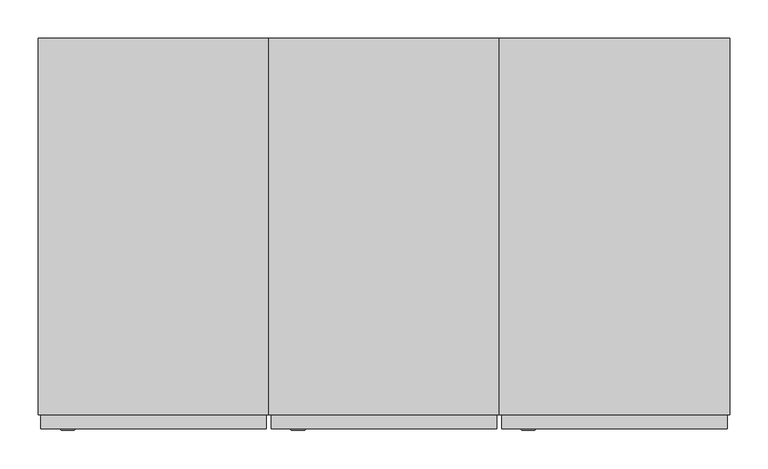
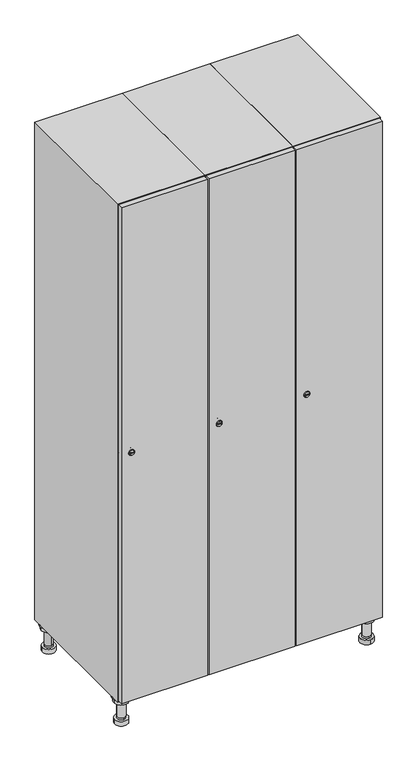
"""IFC4 building model written with IfcOpenShell, lengths in millimetres: furniture geometry."""

import ifcopenshell
import ifcopenshell.guid

model = None  # the IFC model being written
_history = None  # IfcOwnerHistory: only IFC2X3 demands one
_inside = {}  # id of a spatial element -> (the spatial element, [elements in it])
_under = {}  # id of a project, library or spatial element -> (it, [spatial elements below it])
_declared = {}  # id of a project -> (the project, [libraries it declares])
_typed = {}  # id of a type object -> (the type object, [elements of that type])
_made_of = {}  # id of a material, layer set ... -> (it, [elements and type objects made of it])


def new_model(schema):
    """Start an empty IFC model of exactly this schema.

    Asked for "IFC4X3", IfcOpenShell would pick the latest addendum, in which some entities
    have other attributes; the version numbers below select the first issue.
    IFC2X3 requires an IfcOwnerHistory on every rooted entity: one is made here for all.
    """
    global model, _history
    if schema == "IFC4X3":
        model = ifcopenshell.file(schema_version=(4, 3, 0, 0))
    else:
        model = ifcopenshell.file(schema=schema)
    _inside.clear()
    _under.clear()
    _declared.clear()
    _typed.clear()
    _made_of.clear()
    _history = None
    if model.schema == "IFC2X3":
        org = make("IfcOrganization", Name="unknown")
        user = make(
            "IfcPersonAndOrganization",
            ThePerson=make("IfcPerson", FamilyName="unknown"),
            TheOrganization=org,
        )
        app = make(
            "IfcApplication",
            ApplicationDeveloper=org,
            Version="unknown",
            ApplicationFullName="unknown",
            ApplicationIdentifier="unknown",
        )
        _history = make(
            "IfcOwnerHistory",
            OwningUser=user,
            OwningApplication=app,
            ChangeAction="ADDED",
            CreationDate=0,
        )
    return model


def make(cls, **values):
    """One entity of the class cls with the attributes given. An attribute that is None is left unset."""
    return model.create_entity(
        cls, **{name: value for name, value in values.items() if value is not None}
    )


def rooted(cls, **values):
    """An entity with a GlobalId (a new one), such as an element, a storey or a relation."""
    return make(cls, GlobalId=ifcopenshell.guid.new(), OwnerHistory=_history, **values)


def si_unit(unit_type, name, prefix=None):
    """IfcSIUnit, for example si_unit("LENGTHUNIT", "METRE", prefix="MILLI")."""
    return make("IfcSIUnit", UnitType=unit_type, Prefix=prefix, Name=name)


def assignment(units):
    """IfcUnitAssignment: the units of a project."""
    return None if units is None else make("IfcUnitAssignment", Units=units)


def point(xyz):
    """IfcCartesianPoint."""
    return None if xyz is None else make("IfcCartesianPoint", Coordinates=xyz)


def direction(xyz):
    """IfcDirection."""
    return None if xyz is None else make("IfcDirection", DirectionRatios=xyz)


def frame(location, z_axis=None, x_axis=None):
    """IfcAxis2Placement3D, a coordinate frame: its origin and axes. An axis left out is left unset."""
    return make(
        "IfcAxis2Placement3D",
        Location=point(location),
        Axis=direction(z_axis),
        RefDirection=direction(x_axis),
    )


def frame_2d(location, x_axis=None):
    """IfcAxis2Placement2D, a coordinate frame in the plane: its origin and x axis."""
    return make(
        "IfcAxis2Placement2D", Location=point(location), RefDirection=direction(x_axis)
    )


def origin():
    """The frame at (0, 0, 0) with its axes left unset."""
    return frame((0.0, 0.0, 0.0))


def place(relative_to, where):
    """IfcLocalPlacement: puts the frame where relative to a parent placement (None: the world)."""
    return make(
        "IfcLocalPlacement", PlacementRelTo=relative_to, RelativePlacement=where
    )


def context(
    kind, dimensions, precision=None, world=None, true_north=None, identifier=None
):
    """IfcGeometricRepresentationContext, for example the 3D "Model" context."""
    return make(
        "IfcGeometricRepresentationContext",
        ContextIdentifier=identifier,
        ContextType=kind,
        CoordinateSpaceDimension=dimensions,
        Precision=precision,
        WorldCoordinateSystem=world,
        TrueNorth=true_north,
    )


def project(units=None, contexts=None):
    """IfcProject with its units and contexts."""
    return rooted(
        "IfcProject",
        Name="project",
        RepresentationContexts=contexts,
        UnitsInContext=assignment(units),
    )


def spatial(cls, under=None, at=None, **own):
    """A site, building, storey or space (cls), placed at a placement, below another one or the project."""
    s = rooted(cls, ObjectPlacement=at, **own)
    if under is not None:
        _under.setdefault(under.id(), (under, []))[1].append(s)
    return s


def polyline(points):
    """IfcPolyline through the points."""
    return make("IfcPolyline", Points=[point(p) for p in points])


def circle_curve(where, radius):
    """IfcCircle in the frame where."""
    return make("IfcCircle", Position=where, Radius=radius)


def trimmed(basis, trim1, trim2, sense, master):
    """IfcTrimmedCurve: the piece of a basis curve between two trims."""
    return make(
        "IfcTrimmedCurve",
        BasisCurve=basis,
        Trim1=trim1,
        Trim2=trim2,
        SenseAgreement=sense,
        MasterRepresentation=master,
    )


def segment(curve, same_sense, transition):
    """IfcCompositeCurveSegment."""
    return make(
        "IfcCompositeCurveSegment",
        Transition=transition,
        SameSense=same_sense,
        ParentCurve=curve,
    )


def composite_curve(segments, self_intersect=None):
    """IfcCompositeCurve: segments joined end to end."""
    return make("IfcCompositeCurve", Segments=segments, SelfIntersect=self_intersect)


def outline(outer, holes=None, kind="AREA"):
    """IfcArbitraryClosedProfileDef: a profile drawn as a closed curve; with holes, ...WithVoids."""
    if holes is None:
        return make("IfcArbitraryClosedProfileDef", ProfileType=kind, OuterCurve=outer)
    return make(
        "IfcArbitraryProfileDefWithVoids",
        ProfileType=kind,
        OuterCurve=outer,
        InnerCurves=holes,
    )


def extrude(swept, where, along, depth):
    """IfcExtrudedAreaSolid: the profile swept, set in the frame where, extruded along a direction by depth."""
    return make(
        "IfcExtrudedAreaSolid",
        SweptArea=swept,
        Position=where,
        ExtrudedDirection=direction(along),
        Depth=depth,
    )


def faces_of(points, faces, orient=None, outer=None):
    """IfcFace entities. A face is a list of loops; a loop is a list of indices into points, from 0.

    orient and outer hold one flag for each loop. By default every Orientation is true, the
    first loop of a face is its IfcFaceOuterBound and the others are IfcFaceBound.
    """
    made = []
    for i, loops in enumerate(faces):
        bounds = []
        for j, loop in enumerate(loops):
            is_outer = j == 0 if outer is None else outer[i][j]
            bounds.append(
                make(
                    "IfcFaceOuterBound" if is_outer else "IfcFaceBound",
                    Bound=make("IfcPolyLoop", Polygon=[points[k] for k in loop]),
                    Orientation=True if orient is None else orient[i][j],
                )
            )
        made.append(make("IfcFace", Bounds=bounds))
    return made


def faceted_brep(points, faces, orient=None, outer=None, voids=None):
    """IfcFacetedBrep: a solid bounded by flat faces; with voids (closed shells), ...WithVoids."""
    shared = [point(p) for p in points]
    hull = make("IfcClosedShell", CfsFaces=faces_of(shared, faces, orient, outer))
    if voids is None:
        return make("IfcFacetedBrep", Outer=hull)
    return make(
        "IfcFacetedBrepWithVoids",
        Outer=hull,
        Voids=[
            make(cls, CfsFaces=faces_of(shared, fs, o, b)) for cls, fs, o, b in voids
        ],
    )


def shape(context_of_items, identifier, shape_type, items):
    """IfcShapeRepresentation: the items that make up one representation, for example the "Body"."""
    return make(
        "IfcShapeRepresentation",
        ContextOfItems=context_of_items,
        RepresentationIdentifier=identifier,
        RepresentationType=shape_type,
        Items=items,
    )


def source(mapping_origin, context_of_items, identifier, shape_type, items):
    """IfcRepresentationMap: a shape defined once, which mapped items show again and again."""
    return make(
        "IfcRepresentationMap",
        MappingOrigin=mapping_origin,
        MappedRepresentation=shape(context_of_items, identifier, shape_type, items),
    )


def transform(
    local_origin,
    x_axis=None,
    y_axis=None,
    z_axis=None,
    scale=None,
    scale2=None,
    scale3=None,
    uniform=True,
):
    """IfcCartesianTransformationOperator3D, or its non-uniform kind. x_axis, y_axis, z_axis: its Axis1, 2, 3."""
    if uniform:
        return make(
            "IfcCartesianTransformationOperator3D",
            Axis1=direction(x_axis),
            Axis2=direction(y_axis),
            LocalOrigin=point(local_origin),
            Scale=scale,
            Axis3=direction(z_axis),
        )
    return make(
        "IfcCartesianTransformationOperator3DnonUniform",
        Axis1=direction(x_axis),
        Axis2=direction(y_axis),
        LocalOrigin=point(local_origin),
        Scale=scale,
        Axis3=direction(z_axis),
        Scale2=scale2,
        Scale3=scale3,
    )


def mapped(mapping_source, mapping_target):
    """IfcMappedItem: shows the shape of a source again, moved by a transform."""
    return make(
        "IfcMappedItem", MappingSource=mapping_source, MappingTarget=mapping_target
    )


def made_of(thing, what):
    """Note that an element or type object is made of a material, layer set ...; save() writes the relation."""
    if what is not None:
        _made_of.setdefault(what.id(), (what, []))[1].append(thing)
    return thing


def element(
    cls,
    number,
    at=None,
    inside=None,
    cuts=None,
    type_object=None,
    material=None,
    context=None,
    identifier="Body",
    shape_type=None,
    held_by="IfcProductDefinitionShape",
    body=None,
    shapes=None,
    **own,
):
    """One element of the class cls, such as IfcWall. Its Tag is "e" and its number.

    at: its placement. inside: the storey or other place that contains it. cuts: it is an
    opening in that element (IfcRelVoidsElement). A single representation is given by context,
    identifier, shape_type and body (its items); several are given by shapes. held_by: the class
    of the entity that holds the representations. save() writes the other relations.
    """
    e = rooted(cls, Tag="e%d" % number, ObjectPlacement=at, **own)
    if body is not None:
        shapes = [shape(context, identifier, shape_type, body)]
    if shapes is not None:
        e.Representation = make(held_by, Representations=shapes)
    if inside is not None:
        _inside.setdefault(inside.id(), (inside, []))[1].append(e)
    if cuts is not None:
        rooted(
            "IfcRelVoidsElement", RelatingBuildingElement=cuts, RelatedOpeningElement=e
        )
    if type_object is not None:
        _typed.setdefault(type_object.id(), (type_object, []))[1].append(e)
    return made_of(e, material)


def aggregate(whole, parts):
    """IfcRelAggregates: a whole, such as a stair, and the parts it consists of."""
    return rooted("IfcRelAggregates", RelatingObject=whole, RelatedObjects=parts)


def save(model, path):
    """Write the relations noted so far, then the file.

    IfcRelAggregates (storeys below a building ...), IfcRelContainedInSpatialStructure (elements
    in a storey), IfcRelDefinesByType, IfcRelAssociatesMaterial and IfcRelDeclares: one each for
    every whole, place, type object, material and project.
    """
    for whole, parts in _under.values():
        aggregate(whole, parts)
    for where, things in _inside.values():
        rooted(
            "IfcRelContainedInSpatialStructure",
            RelatedElements=things,
            RelatingStructure=where,
        )
    for kind, things in _typed.values():
        rooted("IfcRelDefinesByType", RelatedObjects=things, RelatingType=kind)
    for what, things in _made_of.values():
        rooted("IfcRelAssociatesMaterial", RelatedObjects=things, RelatingMaterial=what)
    for by, libraries in _declared.values():
        rooted("IfcRelDeclares", RelatingContext=by, RelatedDefinitions=libraries)
    model.write(path)


def plane_surface(at):
    """IfcPlane: the flat surface through the origin of the frame at, square to its z axis."""
    return make("IfcPlane", Position=at)


def cylinder_surface(at, radius):
    """IfcCylindricalSurface: all points at the distance radius from the z axis of the frame at."""
    return make("IfcCylindricalSurface", Position=at, Radius=radius)


def revolved_surface(curve, axis_point, axis_direction):
    """IfcSurfaceOfRevolution: the curve turned about the line through axis_point along axis_direction."""
    return make(
        "IfcSurfaceOfRevolution",
        SweptCurve=make("IfcArbitraryOpenProfileDef", ProfileType="CURVE", Curve=curve),
        AxisPosition=make("IfcAxis1Placement", Location=point(axis_point), Axis=direction(axis_direction)),
    )


def advanced_brep(points, edges, surfaces, faces):
    """IfcAdvancedBrep: a solid bounded by faces that lie on surfaces and meet in shared edges.

    An edge is (start, end): straight between two places in points (the first is 0);
    or (start, end, curve); or (start, end, curve, False) where it runs against its curve.
    A face is (place in surfaces, loops), or (place, loops, False) where it looks against
    its surface's normal. A loop lists edges by number (the first is 1), with a minus sign
    where the edge is run from its end to its start. The first loop is the outer one.
    """
    corners = [point(p) for p in points]
    vertices = [make("IfcVertexPoint", VertexGeometry=c) for c in corners]
    made = []
    for start, end, *more in edges:
        made.append(
            make(
                "IfcEdgeCurve",
                EdgeStart=vertices[start],
                EdgeEnd=vertices[end],
                EdgeGeometry=more[0] if more else make("IfcPolyline", Points=[corners[start], corners[end]]),
                SameSense=more[1] if len(more) > 1 else True,
            )
        )
    hull = []
    for where, loops, *sense in faces:
        bounds = []
        for j, loop in enumerate(loops):
            ring = [make("IfcOrientedEdge", EdgeElement=made[abs(k) - 1], Orientation=k > 0) for k in loop]
            bounds.append(
                make(
                    "IfcFaceOuterBound" if j == 0 else "IfcFaceBound",
                    Bound=make("IfcEdgeLoop", EdgeList=ring),
                    Orientation=True,
                )
            )
        hull.append(make("IfcAdvancedFace", Bounds=bounds, FaceSurface=surfaces[where], SameSense=sense[0] if sense else True))
    return make("IfcAdvancedBrep", Outer=make("IfcClosedShell", CfsFaces=hull))


def furniture_a6dacb6b(model_context):
    return source(origin(), model_context, "Body", "SolidModel", [
        advanced_brep(
        [(670.0, -201.0, 22.0), (670.0, -201.5, 16.0), (670.0, -228.5, 16.0), (670.0, -229.0, 22.0), (656.0, -215.0, 22.0), (684.0, -215.0, 22.0), (670.0, -192.5, 16.0), (670.0, -237.5, 16.0), (670.0, -192.5, 0.0), (670.0, -237.5, 0.0), (684.0, -215.0, 78.0), (656.0, -215.0, 78.0), (695.0, -215.0, 78.0), (645.0, -215.0, 78.0), (700.0, -215.0, 94.0), (640.0, -215.0, 94.0), (645.0, -215.0, 94.0), (695.0, -215.0, 94.0), (700.0, -215.0, 100.0), (640.0, -215.0, 100.0)],
        [
            (0, 1),
            (1, 2, circle_curve(frame((670.0, -215.0, 16.0), z_axis=(0.0, 0.0, 1.0), x_axis=(0.0, -1.0, 0.0)), 13.5)),
            (2, 3),
            (3, 4, circle_curve(frame((670.0, -215.0, 22.0), z_axis=(0.0, 0.0, -1.0), x_axis=(0.0, -1.0, 0.0)), 14.0)),
            (4, 0, circle_curve(frame((670.0, -215.0, 22.0), z_axis=(0.0, 0.0, -1.0), x_axis=(0.0, -1.0, 0.0)), 14.0)),
            (0, 5, circle_curve(frame((670.0, -215.0, 22.0), z_axis=(0.0, 0.0, -1.0), x_axis=(0.0, 1.0, 0.0)), 14.0)),
            (5, 3, circle_curve(frame((670.0, -215.0, 22.0), z_axis=(0.0, 0.0, -1.0), x_axis=(0.0, 1.0, 0.0)), 14.0)),
            (2, 1, circle_curve(frame((670.0, -215.0, 16.0), z_axis=(0.0, 0.0, 1.0), x_axis=(0.0, 1.0, 0.0)), 13.5)),
            (6, 7, circle_curve(frame((670.0, -215.0, 16.0), z_axis=(0.0, 0.0, 1.0), x_axis=(0.0, -1.0, 0.0)), 22.5)),
            (7, 6, circle_curve(frame((670.0, -215.0, 16.0), z_axis=(0.0, 0.0, 1.0), x_axis=(0.0, -1.0, 0.0)), 22.5)),
            (8, 9, circle_curve(frame((670.0, -215.0, 0.0), z_axis=(0.0, 0.0, -1.0), x_axis=(0.0, -1.0, 0.0)), 22.5)),
            (9, 8, circle_curve(frame((670.0, -215.0, 0.0), z_axis=(0.0, 0.0, -1.0), x_axis=(0.0, -1.0, 0.0)), 22.5)),
            (6, 8),
            (9, 7),
            (5, 10),
            (10, 11, circle_curve(frame((670.0, -215.0, 78.0), z_axis=(0.0, 0.0, -1.0), x_axis=(-1.0, 0.0, 0.0)), 14.0)),
            (11, 4),
            (11, 10, circle_curve(frame((670.0, -215.0, 78.0), z_axis=(0.0, 0.0, -1.0), x_axis=(-1.0, 0.0, 0.0)), 14.0)),
            (12, 13, circle_curve(frame((670.0, -215.0, 78.0), z_axis=(0.0, 0.0, -1.0), x_axis=(-1.0, 0.0, 0.0)), 25.0)),
            (13, 12, circle_curve(frame((670.0, -215.0, 78.0), z_axis=(0.0, 0.0, -1.0), x_axis=(-1.0, 0.0, 0.0)), 25.0)),
            (14, 15, circle_curve(frame((670.0, -215.0, 94.0), z_axis=(0.0, 0.0, -1.0), x_axis=(-1.0, 0.0, 0.0)), 30.0)),
            (15, 14, circle_curve(frame((670.0, -215.0, 94.0), z_axis=(0.0, 0.0, -1.0), x_axis=(-1.0, 0.0, 0.0)), 30.0)),
            (16, 17, circle_curve(frame((670.0, -215.0, 94.0), z_axis=(0.0, 0.0, 1.0), x_axis=(-1.0, 0.0, 0.0)), 25.0)),
            (17, 16, circle_curve(frame((670.0, -215.0, 94.0), z_axis=(0.0, 0.0, 1.0), x_axis=(-1.0, 0.0, 0.0)), 25.0)),
            (18, 19, circle_curve(frame((670.0, -215.0, 100.0), z_axis=(0.0, 0.0, 1.0), x_axis=(-1.0, 0.0, 0.0)), 30.0)),
            (19, 18, circle_curve(frame((670.0, -215.0, 100.0), z_axis=(0.0, 0.0, 1.0), x_axis=(-1.0, 0.0, 0.0)), 30.0)),
            (14, 18),
            (19, 15),
            (12, 17),
            (16, 13),
        ],
        [
            revolved_surface(polyline([(670.0, -201.5, 16.0), (670.0, -201.0, 22.0)]), (670.0, -215.0, -146.0), (0.0, 0.0, 1.0)),
            plane_surface(frame((670.0, 0.0, 16.0), z_axis=(0.0, 0.0, 1.0), x_axis=(0.0, -1.0, 0.0))),
            plane_surface(frame((670.0, 0.0, 0.0), z_axis=(0.0, 0.0, -1.0), x_axis=(0.0, -1.0, 0.0))),
            cylinder_surface(frame((670.0, -215.0, 16.0), z_axis=(0.0, 0.0, 1.0), x_axis=(0.0, -1.0, 0.0)), 22.5),
            cylinder_surface(frame((670.0, -215.0, 22.0), z_axis=(0.0, 0.0, -1.0), x_axis=(-1.0, 0.0, 0.0)), 14.0),
            plane_surface(frame((670.0, 0.0, 78.0), z_axis=(0.0, 0.0, -1.0), x_axis=(0.0, -1.0, 0.0))),
            plane_surface(frame((670.0, 0.0, 94.0), z_axis=(0.0, 0.0, -1.0), x_axis=(0.0, -1.0, 0.0))),
            plane_surface(frame((670.0, 0.0, 100.0), z_axis=(0.0, 0.0, 1.0), x_axis=(0.0, -1.0, 0.0))),
            cylinder_surface(frame((670.0, -215.0, 94.0), z_axis=(0.0, 0.0, -1.0), x_axis=(-1.0, 0.0, 0.0)), 30.0),
            cylinder_surface(frame((670.0, -215.0, 78.0), z_axis=(0.0, 0.0, -1.0), x_axis=(-1.0, 0.0, 0.0)), 25.0),
        ],
        [
            (0, [[1, 2, 3, 4, 5]]),
            (0, [[-1, 6, 7, -3, 8]]),
            (1, [[9, 10], [-2, -8]]),
            (2, [[11, 12]]),
            (3, [[-9, 13, -12, 14]]),
            (3, [[-10, -14, -11, -13]]),
            (4, [[15, 16, 17, -4, -7]]),
            (4, [[-15, -6, -5, -17, 18]]),
            (5, [[19, 20], [-16, -18]]),
            (6, [[21, 22], [23, 24]]),
            (7, [[25, 26]]),
            (8, [[-21, 27, -26, 28]]),
            (8, [[-22, -28, -25, -27]]),
            (9, [[-19, 29, -23, 30]]),
            (9, [[-20, -30, -24, -29]]),
        ],
    ),
        advanced_brep(
        [(-170.0, -201.0, 22.0), (-170.0, -201.5, 16.0), (-170.0, -228.5, 16.0), (-170.0, -229.0, 22.0), (-184.0, -215.0, 22.0), (-156.0, -215.0, 22.0), (-147.5, -215.0, 0.0), (-192.5, -215.0, 0.0), (-147.5, -215.0, 16.0), (-192.5, -215.0, 16.0), (-156.0, -215.0, 78.0), (-184.0, -215.0, 78.0), (-145.0, -215.0, 78.0), (-195.0, -215.0, 78.0), (-140.0, -215.0, 94.0), (-200.0, -215.0, 94.0), (-195.0, -215.0, 94.0), (-145.0, -215.0, 94.0), (-140.0, -215.0, 100.0), (-200.0, -215.0, 100.0)],
        [
            (0, 1),
            (1, 2, circle_curve(frame((-170.0, -215.0, 16.0), z_axis=(0.0, 0.0, 1.0), x_axis=(0.0, -1.0, 0.0)), 13.5)),
            (2, 3),
            (3, 4, circle_curve(frame((-170.0, -215.0, 22.0), z_axis=(0.0, 0.0, -1.0), x_axis=(0.0, -1.0, 0.0)), 14.0)),
            (4, 0, circle_curve(frame((-170.0, -215.0, 22.0), z_axis=(0.0, 0.0, -1.0), x_axis=(0.0, -1.0, 0.0)), 14.0)),
            (0, 5, circle_curve(frame((-170.0, -215.0, 22.0), z_axis=(0.0, 0.0, -1.0), x_axis=(0.0, 1.0, 0.0)), 14.0)),
            (5, 3, circle_curve(frame((-170.0, -215.0, 22.0), z_axis=(0.0, 0.0, -1.0), x_axis=(0.0, 1.0, 0.0)), 14.0)),
            (2, 1, circle_curve(frame((-170.0, -215.0, 16.0), z_axis=(0.0, 0.0, 1.0), x_axis=(0.0, 1.0, 0.0)), 13.5)),
            (6, 7, circle_curve(frame((-170.0, -215.0, 0.0), z_axis=(0.0, 0.0, -1.0), x_axis=(-1.0, 0.0, 0.0)), 22.5)),
            (7, 6, circle_curve(frame((-170.0, -215.0, 0.0), z_axis=(0.0, 0.0, -1.0), x_axis=(-1.0, 0.0, 0.0)), 22.5)),
            (8, 9, circle_curve(frame((-170.0, -215.0, 16.0), z_axis=(0.0, 0.0, 1.0), x_axis=(-1.0, 0.0, 0.0)), 22.5)),
            (9, 8, circle_curve(frame((-170.0, -215.0, 16.0), z_axis=(0.0, 0.0, 1.0), x_axis=(-1.0, 0.0, 0.0)), 22.5)),
            (6, 8),
            (9, 7),
            (5, 10),
            (10, 11, circle_curve(frame((-170.0, -215.0, 78.0), z_axis=(0.0, 0.0, -1.0), x_axis=(-1.0, 0.0, 0.0)), 14.0)),
            (11, 4),
            (11, 10, circle_curve(frame((-170.0, -215.0, 78.0), z_axis=(0.0, 0.0, -1.0), x_axis=(-1.0, 0.0, 0.0)), 14.0)),
            (12, 13, circle_curve(frame((-170.0, -215.0, 78.0), z_axis=(0.0, 0.0, -1.0), x_axis=(-1.0, 0.0, 0.0)), 25.0)),
            (13, 12, circle_curve(frame((-170.0, -215.0, 78.0), z_axis=(0.0, 0.0, -1.0), x_axis=(-1.0, 0.0, 0.0)), 25.0)),
            (14, 15, circle_curve(frame((-170.0, -215.0, 94.0), z_axis=(0.0, 0.0, -1.0), x_axis=(-1.0, 0.0, 0.0)), 30.0)),
            (15, 14, circle_curve(frame((-170.0, -215.0, 94.0), z_axis=(0.0, 0.0, -1.0), x_axis=(-1.0, 0.0, 0.0)), 30.0)),
            (16, 17, circle_curve(frame((-170.0, -215.0, 94.0), z_axis=(0.0, 0.0, 1.0), x_axis=(-1.0, 0.0, 0.0)), 25.0)),
            (17, 16, circle_curve(frame((-170.0, -215.0, 94.0), z_axis=(0.0, 0.0, 1.0), x_axis=(-1.0, 0.0, 0.0)), 25.0)),
            (18, 19, circle_curve(frame((-170.0, -215.0, 100.0), z_axis=(0.0, 0.0, 1.0), x_axis=(-1.0, 0.0, 0.0)), 30.0)),
            (19, 18, circle_curve(frame((-170.0, -215.0, 100.0), z_axis=(0.0, 0.0, 1.0), x_axis=(-1.0, 0.0, 0.0)), 30.0)),
            (14, 18),
            (19, 15),
            (12, 17),
            (16, 13),
        ],
        [
            revolved_surface(polyline([(-170.0, -201.5, 16.0), (-170.0, -201.0, 22.0)]), (-170.0, -215.0, -146.0), (0.0, 0.0, 1.0)),
            plane_surface(frame((-170.0, 0.0, 0.0), z_axis=(0.0, 0.0, -1.0), x_axis=(0.0, -1.0, 0.0))),
            plane_surface(frame((-170.0, 0.0, 16.0), z_axis=(0.0, 0.0, 1.0), x_axis=(0.0, -1.0, 0.0))),
            cylinder_surface(frame((-170.0, -215.0, 0.0), z_axis=(0.0, 0.0, -1.0), x_axis=(-1.0, 0.0, 0.0)), 22.5),
            cylinder_surface(frame((-170.0, -215.0, 22.0), z_axis=(0.0, 0.0, -1.0), x_axis=(-1.0, 0.0, 0.0)), 14.0),
            plane_surface(frame((-170.0, 0.0, 78.0), z_axis=(0.0, 0.0, -1.0), x_axis=(0.0, -1.0, 0.0))),
            plane_surface(frame((-170.0, 0.0, 94.0), z_axis=(0.0, 0.0, -1.0), x_axis=(0.0, -1.0, 0.0))),
            plane_surface(frame((-170.0, 0.0, 100.0), z_axis=(0.0, 0.0, 1.0), x_axis=(0.0, -1.0, 0.0))),
            cylinder_surface(frame((-170.0, -215.0, 94.0), z_axis=(0.0, 0.0, -1.0), x_axis=(-1.0, 0.0, 0.0)), 30.0),
            cylinder_surface(frame((-170.0, -215.0, 78.0), z_axis=(0.0, 0.0, -1.0), x_axis=(-1.0, 0.0, 0.0)), 25.0),
        ],
        [
            (0, [[1, 2, 3, 4, 5]]),
            (0, [[-1, 6, 7, -3, 8]]),
            (1, [[9, 10]]),
            (2, [[11, 12], [-2, -8]]),
            (3, [[-9, 13, -12, 14]]),
            (3, [[-10, -14, -11, -13]]),
            (4, [[15, 16, 17, -4, -7]]),
            (4, [[-15, -6, -5, -17, 18]]),
            (5, [[19, 20], [-16, -18]]),
            (6, [[21, 22], [23, 24]]),
            (7, [[25, 26]]),
            (8, [[-21, 27, -26, 28]]),
            (8, [[-22, -28, -25, -27]]),
            (9, [[-19, 29, -23, 30]]),
            (9, [[-20, -30, -24, -29]]),
        ],
    ),
        advanced_brep(
        [(683.5, 215.0, 16.0), (684.0, 215.0, 22.0), (656.0, 215.0, 22.0), (656.5, 215.0, 16.0), (692.5, 215.0, 0.0), (647.5, 215.0, 0.0), (692.5, 215.0, 16.0), (647.5, 215.0, 16.0), (684.0, 215.0, 78.0), (656.0, 215.0, 78.0), (695.0, 215.0, 78.0), (645.0, 215.0, 78.0), (700.0, 215.0, 94.0), (640.0, 215.0, 94.0), (645.0, 215.0, 94.0), (695.0, 215.0, 94.0), (700.0, 215.0, 100.0), (640.0, 215.0, 100.0)],
        [
            (0, 1),
            (1, 2, circle_curve(frame((670.0, 215.0, 22.0), z_axis=(0.0, 0.0, -1.0), x_axis=(-1.0, 0.0, 0.0)), 14.0)),
            (2, 3),
            (3, 0, circle_curve(frame((670.0, 215.0, 16.0), z_axis=(0.0, 0.0, 1.0), x_axis=(-1.0, 0.0, 0.0)), 13.5)),
            (0, 3, circle_curve(frame((670.0, 215.0, 16.0), z_axis=(0.0, 0.0, 1.0), x_axis=(1.0, 0.0, 0.0)), 13.5)),
            (2, 1, circle_curve(frame((670.0, 215.0, 22.0), z_axis=(0.0, 0.0, -1.0), x_axis=(1.0, 0.0, 0.0)), 14.0)),
            (4, 5, circle_curve(frame((670.0, 215.0, 0.0), z_axis=(0.0, 0.0, -1.0), x_axis=(-1.0, 0.0, 0.0)), 22.5)),
            (5, 4, circle_curve(frame((670.0, 215.0, 0.0), z_axis=(0.0, 0.0, -1.0), x_axis=(-1.0, 0.0, 0.0)), 22.5)),
            (6, 7, circle_curve(frame((670.0, 215.0, 16.0), z_axis=(0.0, 0.0, 1.0), x_axis=(-1.0, 0.0, 0.0)), 22.5)),
            (7, 6, circle_curve(frame((670.0, 215.0, 16.0), z_axis=(0.0, 0.0, 1.0), x_axis=(-1.0, 0.0, 0.0)), 22.5)),
            (4, 6),
            (7, 5),
            (1, 8),
            (8, 9, circle_curve(frame((670.0, 215.0, 78.0), z_axis=(0.0, 0.0, -1.0), x_axis=(-1.0, 0.0, 0.0)), 14.0)),
            (9, 2),
            (9, 8, circle_curve(frame((670.0, 215.0, 78.0), z_axis=(0.0, 0.0, -1.0), x_axis=(-1.0, 0.0, 0.0)), 14.0)),
            (10, 11, circle_curve(frame((670.0, 215.0, 78.0), z_axis=(0.0, 0.0, -1.0), x_axis=(-1.0, 0.0, 0.0)), 25.0)),
            (11, 10, circle_curve(frame((670.0, 215.0, 78.0), z_axis=(0.0, 0.0, -1.0), x_axis=(-1.0, 0.0, 0.0)), 25.0)),
            (12, 13, circle_curve(frame((670.0, 215.0, 94.0), z_axis=(0.0, 0.0, -1.0), x_axis=(-1.0, 0.0, 0.0)), 30.0)),
            (13, 12, circle_curve(frame((670.0, 215.0, 94.0), z_axis=(0.0, 0.0, -1.0), x_axis=(-1.0, 0.0, 0.0)), 30.0)),
            (14, 15, circle_curve(frame((670.0, 215.0, 94.0), z_axis=(0.0, 0.0, 1.0), x_axis=(-1.0, 0.0, 0.0)), 25.0)),
            (15, 14, circle_curve(frame((670.0, 215.0, 94.0), z_axis=(0.0, 0.0, 1.0), x_axis=(-1.0, 0.0, 0.0)), 25.0)),
            (16, 17, circle_curve(frame((670.0, 215.0, 100.0), z_axis=(0.0, 0.0, 1.0), x_axis=(-1.0, 0.0, 0.0)), 30.0)),
            (17, 16, circle_curve(frame((670.0, 215.0, 100.0), z_axis=(0.0, 0.0, 1.0), x_axis=(-1.0, 0.0, 0.0)), 30.0)),
            (12, 16),
            (17, 13),
            (10, 15),
            (14, 11),
        ],
        [
            revolved_surface(polyline([(683.5, 215.0, 16.0), (684.0, 215.0, 22.0)]), (670.0, 215.0, -146.0), (0.0, 0.0, 1.0)),
            plane_surface(frame((670.0, 0.0, 0.0), z_axis=(0.0, 0.0, -1.0), x_axis=(0.0, -1.0, 0.0))),
            plane_surface(frame((670.0, 0.0, 16.0), z_axis=(0.0, 0.0, 1.0), x_axis=(0.0, -1.0, 0.0))),
            cylinder_surface(frame((670.0, 215.0, 0.0), z_axis=(0.0, 0.0, -1.0), x_axis=(-1.0, 0.0, 0.0)), 22.5),
            cylinder_surface(frame((670.0, 215.0, 22.0), z_axis=(0.0, 0.0, -1.0), x_axis=(-1.0, 0.0, 0.0)), 14.0),
            plane_surface(frame((670.0, 0.0, 78.0), z_axis=(0.0, 0.0, -1.0), x_axis=(0.0, -1.0, 0.0))),
            plane_surface(frame((670.0, 0.0, 94.0), z_axis=(0.0, 0.0, -1.0), x_axis=(0.0, -1.0, 0.0))),
            plane_surface(frame((670.0, 0.0, 100.0), z_axis=(0.0, 0.0, 1.0), x_axis=(0.0, -1.0, 0.0))),
            cylinder_surface(frame((670.0, 215.0, 94.0), z_axis=(0.0, 0.0, -1.0), x_axis=(-1.0, 0.0, 0.0)), 30.0),
            cylinder_surface(frame((670.0, 215.0, 78.0), z_axis=(0.0, 0.0, -1.0), x_axis=(-1.0, 0.0, 0.0)), 25.0),
        ],
        [
            (0, [[1, 2, 3, 4]]),
            (0, [[-1, 5, -3, 6]]),
            (1, [[7, 8]]),
            (2, [[9, 10], [-4, -5]]),
            (3, [[-7, 11, -10, 12]]),
            (3, [[-8, -12, -9, -11]]),
            (4, [[13, 14, 15, -2]]),
            (4, [[-13, -6, -15, 16]]),
            (5, [[17, 18], [-14, -16]]),
            (6, [[19, 20], [21, 22]]),
            (7, [[23, 24]]),
            (8, [[-19, 25, -24, 26]]),
            (8, [[-20, -26, -23, -25]]),
            (9, [[-17, 27, -21, 28]]),
            (9, [[-18, -28, -22, -27]]),
        ],
    ),
        advanced_brep(
        [(-156.5, 215.0, 16.0), (-156.0, 215.0, 22.0), (-170.0, 201.0, 22.0), (-184.0, 215.0, 22.0), (-183.5, 215.0, 16.0), (-170.0, 229.0, 22.0), (-147.5, 215.0, 0.0), (-192.5, 215.0, 0.0), (-147.5, 215.0, 16.0), (-192.5, 215.0, 16.0), (-170.0, 229.0, 78.0), (-170.0, 201.0, 78.0), (-145.0, 215.0, 78.0), (-195.0, 215.0, 78.0), (-140.0, 215.0, 94.0), (-200.0, 215.0, 94.0), (-195.0, 215.0, 94.0), (-145.0, 215.0, 94.0), (-140.0, 215.0, 100.0), (-200.0, 215.0, 100.0)],
        [
            (0, 1),
            (1, 2, circle_curve(frame((-170.0, 215.0, 22.0), z_axis=(0.0, 0.0, -1.0), x_axis=(-1.0, 0.0, 0.0)), 14.0)),
            (2, 3, circle_curve(frame((-170.0, 215.0, 22.0), z_axis=(0.0, 0.0, -1.0), x_axis=(-1.0, 0.0, 0.0)), 14.0)),
            (3, 4),
            (4, 0, circle_curve(frame((-170.0, 215.0, 16.0), z_axis=(0.0, 0.0, 1.0), x_axis=(-1.0, 0.0, 0.0)), 13.5)),
            (0, 4, circle_curve(frame((-170.0, 215.0, 16.0), z_axis=(0.0, 0.0, 1.0), x_axis=(1.0, 0.0, 0.0)), 13.5)),
            (3, 5, circle_curve(frame((-170.0, 215.0, 22.0), z_axis=(0.0, 0.0, -1.0), x_axis=(1.0, 0.0, 0.0)), 14.0)),
            (5, 1, circle_curve(frame((-170.0, 215.0, 22.0), z_axis=(0.0, 0.0, -1.0), x_axis=(1.0, 0.0, 0.0)), 14.0)),
            (6, 7, circle_curve(frame((-170.0, 215.0, 0.0), z_axis=(0.0, 0.0, -1.0), x_axis=(-1.0, 0.0, 0.0)), 22.5)),
            (7, 6, circle_curve(frame((-170.0, 215.0, 0.0), z_axis=(0.0, 0.0, -1.0), x_axis=(-1.0, 0.0, 0.0)), 22.5)),
            (8, 9, circle_curve(frame((-170.0, 215.0, 16.0), z_axis=(0.0, 0.0, 1.0), x_axis=(-1.0, 0.0, 0.0)), 22.5)),
            (9, 8, circle_curve(frame((-170.0, 215.0, 16.0), z_axis=(0.0, 0.0, 1.0), x_axis=(-1.0, 0.0, 0.0)), 22.5)),
            (6, 8),
            (9, 7),
            (10, 5),
            (2, 11),
            (11, 10, circle_curve(frame((-170.0, 215.0, 78.0), z_axis=(0.0, 0.0, -1.0), x_axis=(0.0, -1.0, 0.0)), 14.0)),
            (10, 11, circle_curve(frame((-170.0, 215.0, 78.0), z_axis=(0.0, 0.0, -1.0), x_axis=(0.0, -1.0, 0.0)), 14.0)),
            (12, 13, circle_curve(frame((-170.0, 215.0, 78.0), z_axis=(0.0, 0.0, -1.0), x_axis=(-1.0, 0.0, 0.0)), 25.0)),
            (13, 12, circle_curve(frame((-170.0, 215.0, 78.0), z_axis=(0.0, 0.0, -1.0), x_axis=(-1.0, 0.0, 0.0)), 25.0)),
            (14, 15, circle_curve(frame((-170.0, 215.0, 94.0), z_axis=(0.0, 0.0, -1.0), x_axis=(-1.0, 0.0, 0.0)), 30.0)),
            (15, 14, circle_curve(frame((-170.0, 215.0, 94.0), z_axis=(0.0, 0.0, -1.0), x_axis=(-1.0, 0.0, 0.0)), 30.0)),
            (16, 17, circle_curve(frame((-170.0, 215.0, 94.0), z_axis=(0.0, 0.0, 1.0), x_axis=(-1.0, 0.0, 0.0)), 25.0)),
            (17, 16, circle_curve(frame((-170.0, 215.0, 94.0), z_axis=(0.0, 0.0, 1.0), x_axis=(-1.0, 0.0, 0.0)), 25.0)),
            (18, 19, circle_curve(frame((-170.0, 215.0, 100.0), z_axis=(0.0, 0.0, 1.0), x_axis=(-1.0, 0.0, 0.0)), 30.0)),
            (19, 18, circle_curve(frame((-170.0, 215.0, 100.0), z_axis=(0.0, 0.0, 1.0), x_axis=(-1.0, 0.0, 0.0)), 30.0)),
            (14, 18),
            (19, 15),
            (12, 17),
            (16, 13),
        ],
        [
            revolved_surface(polyline([(-156.5, 215.0, 16.0), (-156.0, 215.0, 22.0)]), (-170.0, 215.0, -146.0), (0.0, 0.0, 1.0)),
            plane_surface(frame((-170.0, 0.0, 0.0), z_axis=(0.0, 0.0, -1.0), x_axis=(0.0, -1.0, 0.0))),
            plane_surface(frame((-170.0, 0.0, 16.0), z_axis=(0.0, 0.0, 1.0), x_axis=(0.0, -1.0, 0.0))),
            cylinder_surface(frame((-170.0, 215.0, 0.0), z_axis=(0.0, 0.0, -1.0), x_axis=(-1.0, 0.0, 0.0)), 22.5),
            cylinder_surface(frame((-170.0, 215.0, 78.0), z_axis=(0.0, 0.0, 1.0), x_axis=(0.0, -1.0, 0.0)), 14.0),
            plane_surface(frame((-170.0, 0.0, 78.0), z_axis=(0.0, 0.0, -1.0), x_axis=(0.0, -1.0, 0.0))),
            plane_surface(frame((-170.0, 0.0, 94.0), z_axis=(0.0, 0.0, -1.0), x_axis=(0.0, -1.0, 0.0))),
            plane_surface(frame((-170.0, 0.0, 100.0), z_axis=(0.0, 0.0, 1.0), x_axis=(0.0, -1.0, 0.0))),
            cylinder_surface(frame((-170.0, 215.0, 94.0), z_axis=(0.0, 0.0, -1.0), x_axis=(-1.0, 0.0, 0.0)), 30.0),
            cylinder_surface(frame((-170.0, 215.0, 78.0), z_axis=(0.0, 0.0, -1.0), x_axis=(-1.0, 0.0, 0.0)), 25.0),
        ],
        [
            (0, [[1, 2, 3, 4, 5]]),
            (0, [[-1, 6, -4, 7, 8]]),
            (1, [[9, 10]]),
            (2, [[11, 12], [-5, -6]]),
            (3, [[-9, 13, -12, 14]]),
            (3, [[-10, -14, -11, -13]]),
            (4, [[15, -7, -3, 16, 17]]),
            (4, [[-15, 18, -16, -2, -8]]),
            (5, [[19, 20], [-17, -18]]),
            (6, [[21, 22], [23, 24]]),
            (7, [[25, 26]]),
            (8, [[-21, 27, -26, 28]]),
            (8, [[-22, -28, -25, -27]]),
            (9, [[-19, 29, -23, 30]]),
            (9, [[-20, -30, -24, -29]]),
        ],
    ),
        extrude(outline(composite_curve([segment(trimmed(circle_curve(frame_2d((1000.0, 411.2010534)), 7.0), [point((1007.0, 411.2010534))], [point((993.0, 411.2010534))], False, "CARTESIAN"), True, "CONTINUOUS"), segment(polyline([(993.0, 411.2010534), (993.0, 439.2010534)]), True, "CONTINUOUS"), segment(trimmed(circle_curve(frame_2d((1000.0, 439.2010534)), 7.0), [point((993.0, 439.2010534))], [point((1007.0, 439.2010534))], False, "CARTESIAN"), True, "CONTINUOUS"), segment(polyline([(1007.0, 439.2010534), (1007.0, 411.2010534)]), True, "CONTINUOUS")], self_intersect=False)), frame((0.0, -245.0, 0.0), z_axis=(0.0, 1.0, 0.0), x_axis=(0.0, 0.0, 1.0)), (0.0, 0.0, 1.0), 2.0),
        advanced_brep(
        [(446.5, -265.2, 1000.0), (429.5, -265.2, 1000.0), (433.0, -265.2, 998.75), (433.0, -265.2, 1001.25), (443.0, -265.2, 1001.25), (443.0, -265.2, 998.75), (448.5, -263.0, 1000.0), (427.5, -263.0, 1000.0), (433.0, -263.0, 1001.25), (433.0, -263.0, 998.75), (443.0, -263.0, 998.75), (443.0, -263.0, 1001.25)],
        [
            (0, 1, circle_curve(frame((438.0, -265.2, 1000.0), z_axis=(0.0, -1.0, 0.0), x_axis=(1.0, 0.0, 0.0)), 8.5)),
            (1, 0, circle_curve(frame((438.0, -265.2, 1000.0), z_axis=(0.0, -1.0, 0.0), x_axis=(-1.0, 0.0, 0.0)), 8.5)),
            (2, 3),
            (3, 4),
            (4, 5),
            (5, 2),
            (6, 7, circle_curve(frame((438.0, -263.0, 1000.0), z_axis=(0.0, 1.0, 0.0), x_axis=(-1.0, 0.0, 0.0)), 10.5)),
            (7, 6, circle_curve(frame((438.0, -263.0, 1000.0), z_axis=(0.0, 1.0, 0.0), x_axis=(1.0, 0.0, 0.0)), 10.5)),
            (8, 9),
            (9, 10),
            (10, 11),
            (11, 8),
            (0, 6),
            (7, 1),
            (8, 3),
            (2, 9),
            (11, 4),
            (10, 5),
        ],
        [
            plane_surface(frame((438.0, -265.2, 1000.0), z_axis=(0.0, -1.0, 0.0), x_axis=(0.0, 0.0, 1.0))),
            plane_surface(frame((438.0, -263.0, 1000.0), z_axis=(0.0, 1.0, 0.0), x_axis=(0.0, 0.0, 1.0))),
            revolved_surface(polyline([(446.5, -265.2, 1000.0), (448.5, -263.0, 1000.0)]), (438.0, -274.55, 1000.0), (0.0, 1.0, 0.0)),
            revolved_surface(polyline([(429.5, -265.2, 1000.0), (427.5, -263.0, 1000.0)]), (438.0, -274.55, 1000.0), (0.0, 1.0, 0.0)),
            plane_surface(frame((433.0, -263.0, 998.75), z_axis=(1.0, 0.0, 0.0), x_axis=(0.0, -1.0, 0.0))),
            plane_surface(frame((433.0, -263.0, 1001.25), z_axis=(0.0, 0.0, -1.0), x_axis=(0.0, -1.0, 0.0))),
            plane_surface(frame((443.0, -263.0, 1001.25), z_axis=(-1.0, 0.0, 0.0), x_axis=(0.0, -1.0, 0.0))),
            plane_surface(frame((443.0, -263.0, 998.75), z_axis=(0.0, 0.0, 1.0), x_axis=(0.0, -1.0, 0.0))),
        ],
        [
            (0, [[1, 2], [3, 4, 5, 6]]),
            (1, [[7, 8], [9, 10, 11, 12]]),
            (2, [[-1, 13, -8, 14]]),
            (3, [[-2, -14, -7, -13]]),
            (4, [[15, -3, 16, -9]]),
            (5, [[-15, -12, 17, -4]]),
            (6, [[-17, -11, 18, -5]]),
            (7, [[-16, -6, -18, -10]]),
        ],
    ),
        extrude(outline(polyline([(697.0, -245.0), (697.0, -263.0), (403.0, -263.0), (403.0, -245.0), (697.0, -245.0)])), frame((0.0, 0.0, 103.0), z_axis=(0.0, 0.0, 1.0), x_axis=(1.0, 0.0, 0.0)), (0.0, 0.0, 1.0), 1794.0),
        faceted_brep([(700.0, -245.0, 100.0), (700.0, -245.0, 1900.0), (400.0, -245.0, 1900.0), (400.0, -245.0, 100.0), (682.0, -245.0, 1882.0), (682.0, -245.0, 118.0), (418.0, -245.0, 118.0), (418.0, -245.0, 1882.0), (700.0, 245.0, 100.0), (400.0, 245.0, 100.0), (700.0, 245.0, 1900.0), (400.0, 245.0, 1900.0), (682.0, 227.0, 1882.0), (682.0, 227.0, 118.0), (400.0, 245.0, 1882.0), (418.0, 227.0, 1882.0), (418.0, 227.0, 118.0)], [[[0, 1, 2, 3], [4, 5, 6, 7]], [[8, 0, 3, 9]], [[1, 0, 8, 10]], [[1, 10, 11, 2]], [[4, 12, 13, 5]], [[9, 3, 2, 11, 14]], [[10, 8, 9, 14, 11]], [[12, 15, 16, 13]], [[15, 7, 6, 16]], [[4, 7, 15, 12]], [[6, 5, 13, 16]]]),
        extrude(outline(composite_curve([segment(trimmed(circle_curve(frame_2d((1000.0, 111.2010534)), 7.0), [point((1007.0, 111.2010534))], [point((993.0, 111.2010534))], False, "CARTESIAN"), True, "CONTINUOUS"), segment(polyline([(993.0, 111.2010534), (993.0, 139.2010534)]), True, "CONTINUOUS"), segment(trimmed(circle_curve(frame_2d((1000.0, 139.2010534)), 7.0), [point((993.0, 139.2010534))], [point((1007.0, 139.2010534))], False, "CARTESIAN"), True, "CONTINUOUS"), segment(polyline([(1007.0, 139.2010534), (1007.0, 111.2010534)]), True, "CONTINUOUS")], self_intersect=False)), frame((0.0, -245.0, 0.0), z_axis=(0.0, 1.0, 0.0), x_axis=(0.0, 0.0, 1.0)), (0.0, 0.0, 1.0), 2.0),
        advanced_brep(
        [(146.5, -265.2, 1000.0), (129.5, -265.2, 1000.0), (133.0, -265.2, 998.75), (133.0, -265.2, 1001.25), (143.0, -265.2, 1001.25), (143.0, -265.2, 998.75), (148.5, -263.0, 1000.0), (127.5, -263.0, 1000.0), (133.0, -263.0, 1001.25), (133.0, -263.0, 998.75), (143.0, -263.0, 998.75), (143.0, -263.0, 1001.25)],
        [
            (0, 1, circle_curve(frame((138.0, -265.2, 1000.0), z_axis=(0.0, -1.0, 0.0), x_axis=(1.0, 0.0, 0.0)), 8.5)),
            (1, 0, circle_curve(frame((138.0, -265.2, 1000.0), z_axis=(0.0, -1.0, 0.0), x_axis=(-1.0, 0.0, 0.0)), 8.5)),
            (2, 3),
            (3, 4),
            (4, 5),
            (5, 2),
            (6, 7, circle_curve(frame((138.0, -263.0, 1000.0), z_axis=(0.0, 1.0, 0.0), x_axis=(-1.0, 0.0, 0.0)), 10.5)),
            (7, 6, circle_curve(frame((138.0, -263.0, 1000.0), z_axis=(0.0, 1.0, 0.0), x_axis=(1.0, 0.0, 0.0)), 10.5)),
            (8, 9),
            (9, 10),
            (10, 11),
            (11, 8),
            (0, 6),
            (7, 1),
            (8, 3),
            (2, 9),
            (11, 4),
            (10, 5),
        ],
        [
            plane_surface(frame((138.0, -265.2, 1000.0), z_axis=(0.0, -1.0, 0.0), x_axis=(0.0, 0.0, 1.0))),
            plane_surface(frame((138.0, -263.0, 1000.0), z_axis=(0.0, 1.0, 0.0), x_axis=(0.0, 0.0, 1.0))),
            revolved_surface(polyline([(146.5, -265.2, 1000.0), (148.5, -263.0, 1000.0)]), (138.0, -274.55, 1000.0), (0.0, 1.0, 0.0)),
            revolved_surface(polyline([(129.5, -265.2, 1000.0), (127.5, -263.0, 1000.0)]), (138.0, -274.55, 1000.0), (0.0, 1.0, 0.0)),
            plane_surface(frame((133.0, -263.0, 998.75), z_axis=(1.0, 0.0, 0.0), x_axis=(0.0, -1.0, 0.0))),
            plane_surface(frame((133.0, -263.0, 1001.25), z_axis=(0.0, 0.0, -1.0), x_axis=(0.0, -1.0, 0.0))),
            plane_surface(frame((143.0, -263.0, 1001.25), z_axis=(-1.0, 0.0, 0.0), x_axis=(0.0, -1.0, 0.0))),
            plane_surface(frame((143.0, -263.0, 998.75), z_axis=(0.0, 0.0, 1.0), x_axis=(0.0, -1.0, 0.0))),
        ],
        [
            (0, [[1, 2], [3, 4, 5, 6]]),
            (1, [[7, 8], [9, 10, 11, 12]]),
            (2, [[-1, 13, -8, 14]]),
            (3, [[-2, -14, -7, -13]]),
            (4, [[15, -3, 16, -9]]),
            (5, [[-15, -12, 17, -4]]),
            (6, [[-17, -11, 18, -5]]),
            (7, [[-16, -6, -18, -10]]),
        ],
    ),
        extrude(outline(polyline([(397.0, -245.0), (397.0, -263.0), (103.0, -263.0), (103.0, -245.0), (397.0, -245.0)])), frame((0.0, 0.0, 103.0), z_axis=(0.0, 0.0, 1.0), x_axis=(1.0, 0.0, 0.0)), (0.0, 0.0, 1.0), 1794.0),
        faceted_brep([(400.0, -245.0, 100.0), (400.0, -245.0, 1900.0), (100.0, -245.0, 1900.0), (100.0, -245.0, 100.0), (382.0, -245.0, 1882.0), (382.0, -245.0, 118.0), (118.0, -245.0, 118.0), (118.0, -245.0, 1882.0), (400.0, 245.0, 100.0), (100.0, 245.0, 100.0), (400.0, 245.0, 1900.0), (100.0, 245.0, 1900.0), (382.0, 227.0, 1882.0), (382.0, 227.0, 118.0), (100.0, 245.0, 1882.0), (118.0, 227.0, 1882.0), (118.0, 227.0, 118.0)], [[[0, 1, 2, 3], [4, 5, 6, 7]], [[8, 0, 3, 9]], [[1, 0, 8, 10]], [[1, 10, 11, 2]], [[4, 12, 13, 5]], [[9, 3, 2, 11, 14]], [[10, 8, 9, 14, 11]], [[12, 15, 16, 13]], [[15, 7, 6, 16]], [[4, 7, 15, 12]], [[6, 5, 13, 16]]]),
        extrude(outline(composite_curve([segment(trimmed(circle_curve(frame_2d((1000.0, -188.7989466)), 7.0), [point((1007.0, -188.7989466))], [point((993.0, -188.7989466))], False, "CARTESIAN"), True, "CONTINUOUS"), segment(polyline([(993.0, -188.7989466), (993.0, -160.7989466)]), True, "CONTINUOUS"), segment(trimmed(circle_curve(frame_2d((1000.0, -160.7989466)), 7.0), [point((993.0, -160.7989466))], [point((1007.0, -160.7989466))], False, "CARTESIAN"), True, "CONTINUOUS"), segment(polyline([(1007.0, -160.7989466), (1007.0, -188.7989466)]), True, "CONTINUOUS")], self_intersect=False)), frame((0.0, -245.0, 0.0), z_axis=(0.0, 1.0, 0.0), x_axis=(0.0, 0.0, 1.0)), (0.0, 0.0, 1.0), 2.0),
        advanced_brep(
        [(-153.5, -265.2, 1000.0), (-170.5, -265.2, 1000.0), (-167.0, -265.2, 998.75), (-167.0, -265.2, 1001.25), (-157.0, -265.2, 1001.25), (-157.0, -265.2, 998.75), (-151.5, -263.0, 1000.0), (-172.5, -263.0, 1000.0), (-167.0, -263.0, 1001.25), (-167.0, -263.0, 998.75), (-157.0, -263.0, 998.75), (-157.0, -263.0, 1001.25)],
        [
            (0, 1, circle_curve(frame((-162.0, -265.2, 1000.0), z_axis=(0.0, -1.0, 0.0), x_axis=(1.0, 0.0, 0.0)), 8.5)),
            (1, 0, circle_curve(frame((-162.0, -265.2, 1000.0), z_axis=(0.0, -1.0, 0.0), x_axis=(-1.0, 0.0, 0.0)), 8.5)),
            (2, 3),
            (3, 4),
            (4, 5),
            (5, 2),
            (6, 7, circle_curve(frame((-162.0, -263.0, 1000.0), z_axis=(0.0, 1.0, 0.0), x_axis=(-1.0, 0.0, 0.0)), 10.5)),
            (7, 6, circle_curve(frame((-162.0, -263.0, 1000.0), z_axis=(0.0, 1.0, 0.0), x_axis=(1.0, 0.0, 0.0)), 10.5)),
            (8, 9),
            (9, 10),
            (10, 11),
            (11, 8),
            (0, 6),
            (7, 1),
            (8, 3),
            (2, 9),
            (11, 4),
            (10, 5),
        ],
        [
            plane_surface(frame((-162.0, -265.2, 1000.0), z_axis=(0.0, -1.0, 0.0), x_axis=(0.0, 0.0, 1.0))),
            plane_surface(frame((-162.0, -263.0, 1000.0), z_axis=(0.0, 1.0, 0.0), x_axis=(0.0, 0.0, 1.0))),
            revolved_surface(polyline([(-153.5, -265.2, 1000.0), (-151.5, -263.0, 1000.0)]), (-162.0, -274.55, 1000.0), (0.0, 1.0, 0.0)),
            revolved_surface(polyline([(-170.5, -265.2, 1000.0), (-172.5, -263.0, 1000.0)]), (-162.0, -274.55, 1000.0), (0.0, 1.0, 0.0)),
            plane_surface(frame((-167.0, -263.0, 998.75), z_axis=(1.0, 0.0, 0.0), x_axis=(0.0, -1.0, 0.0))),
            plane_surface(frame((-167.0, -263.0, 1001.25), z_axis=(0.0, 0.0, -1.0), x_axis=(0.0, -1.0, 0.0))),
            plane_surface(frame((-157.0, -263.0, 1001.25), z_axis=(-1.0, 0.0, 0.0), x_axis=(0.0, -1.0, 0.0))),
            plane_surface(frame((-157.0, -263.0, 998.75), z_axis=(0.0, 0.0, 1.0), x_axis=(0.0, -1.0, 0.0))),
        ],
        [
            (0, [[1, 2], [3, 4, 5, 6]]),
            (1, [[7, 8], [9, 10, 11, 12]]),
            (2, [[-1, 13, -8, 14]]),
            (3, [[-2, -14, -7, -13]]),
            (4, [[15, -3, 16, -9]]),
            (5, [[-15, -12, 17, -4]]),
            (6, [[-17, -11, 18, -5]]),
            (7, [[-16, -6, -18, -10]]),
        ],
    ),
        extrude(outline(polyline([(97.0, -245.0), (97.0, -263.0), (-197.0, -263.0), (-197.0, -245.0), (97.0, -245.0)])), frame((0.0, 0.0, 103.0), z_axis=(0.0, 0.0, 1.0), x_axis=(1.0, 0.0, 0.0)), (0.0, 0.0, 1.0), 1794.0),
        faceted_brep([(100.0, -245.0, 100.0), (100.0, -245.0, 1900.0), (-200.0, -245.0, 1900.0), (-200.0, -245.0, 100.0), (82.0, -245.0, 1882.0), (82.0, -245.0, 118.0), (-182.0, -245.0, 118.0), (-182.0, -245.0, 1882.0), (100.0, 245.0, 100.0), (-200.0, 245.0, 100.0), (100.0, 245.0, 1900.0), (-200.0, 245.0, 1900.0), (82.0, 227.0, 1882.0), (82.0, 227.0, 118.0), (-200.0, 245.0, 1882.0), (-182.0, 227.0, 1882.0), (-182.0, 227.0, 118.0)], [[[0, 1, 2, 3], [4, 5, 6, 7]], [[8, 0, 3, 9]], [[1, 0, 8, 10]], [[1, 10, 11, 2]], [[4, 12, 13, 5]], [[9, 3, 2, 11, 14]], [[10, 8, 9, 14, 11]], [[12, 15, 16, 13]], [[15, 7, 6, 16]], [[4, 7, 15, 12]], [[6, 5, 13, 16]]]),
    ])


if __name__ == "__main__":
    model = new_model("IFC4")
    model_context = context("Model", 3, world=origin())
    ifc_project = project(units=[si_unit("LENGTHUNIT", "METRE", prefix="MILLI")], contexts=[model_context])
    site = spatial("IfcSite", under=ifc_project)
    building = spatial("IfcBuilding", under=site)
    placement = place(None, origin())
    furniture_shape = furniture_a6dacb6b(model_context)
    element("IfcFurniture", 1, at=placement, inside=building, context=model_context, shape_type="MappedRepresentation", body=[
        mapped(furniture_shape, transform((0.0, 0.0, 0.0), x_axis=(1.0, 0.0, 0.0), y_axis=(0.0, 1.0, 0.0), z_axis=(0.0, 0.0, 1.0))),
    ])
    save(model, "model.ifc")
